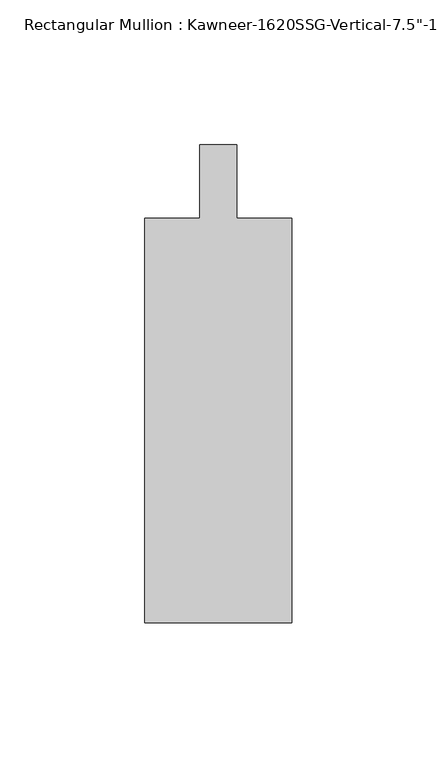
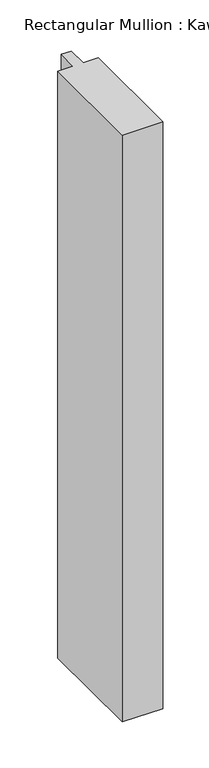
"""IFC4 building model written with IfcOpenShell, lengths in millimetres: member geometry."""

from ifc_helpers import new_model, si_unit, frame, origin, place, context, project, spatial, polyline, outline, extrude, source, transform, mapped, element, save


def member_d455519c(model_context):
    return source(origin(), model_context, "Body", "SweptSolid", [
        extrude(outline(polyline([(25.4, -152.4), (-25.4, -152.4), (-25.4, -12.7), (-6.35, -12.7), (-6.35, 12.7), (6.35, 12.7), (6.35, -12.7), (25.4, -12.7), (25.4, -152.4)])), frame((0.0, 0.0, -777.875), z_axis=(0.0, 0.0, 1.0), x_axis=(1.0, 0.0, 0.0)), (0.0, 0.0, 1.0), 777.875),
    ])


if __name__ == "__main__":
    model = new_model("IFC4")
    model_context = context("Model", 3, world=origin())
    ifc_project = project(units=[si_unit("LENGTHUNIT", "METRE", prefix="MILLI")], contexts=[model_context])
    site = spatial("IfcSite", under=ifc_project)
    building = spatial("IfcBuilding", under=site)
    placement = place(None, origin())
    member_shape = member_d455519c(model_context)
    element("IfcMember", 1, ObjectType="Rectangular Mullion : Kawneer-1620SSG-Vertical-7.5\"-1\"Infill-Standard", at=placement, inside=building, context=model_context, shape_type="MappedRepresentation", body=[
        mapped(member_shape, transform((0.0, 0.0, 0.0), x_axis=(1.0, 0.0, 0.0), y_axis=(0.0, 1.0, 0.0), z_axis=(0.0, 0.0, 1.0))),
    ])
    save(model, "model.ifc")
